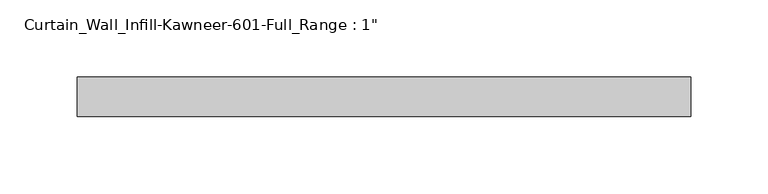
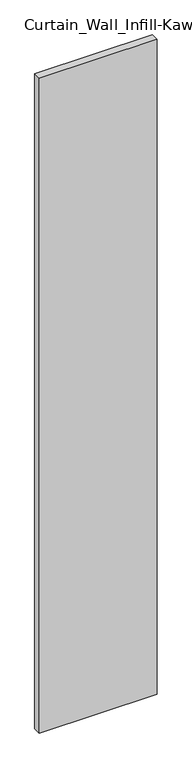
"""IFC4 building model written with IfcOpenShell, lengths in millimetres: plate geometry."""

from ifc_helpers import new_model, si_unit, origin, origin_with_axes, place, context, project, spatial, polyline, outline, extrude, source, transform, mapped, element, save


def plate_a471434e(model_context):
    return source(origin(), model_context, "Body", "SweptSolid", [
        extrude(outline(polyline([(-198.4375, 12.7), (198.4375, 12.7), (198.4375, -12.7), (-198.4375, -12.7), (-198.4375, 12.7)])), origin_with_axes(), (0.0, 0.0, 1.0), 2330.45),
    ])


if __name__ == "__main__":
    model = new_model("IFC4")
    model_context = context("Model", 3, world=origin())
    ifc_project = project(units=[si_unit("LENGTHUNIT", "METRE", prefix="MILLI")], contexts=[model_context])
    site = spatial("IfcSite", under=ifc_project)
    building = spatial("IfcBuilding", under=site)
    placement = place(None, origin())
    plate_shape = plate_a471434e(model_context)
    element("IfcPlate", 1, ObjectType="Curtain_Wall_Infill-Kawneer-601-Full_Range : 1\"", at=placement, inside=building, context=model_context, shape_type="MappedRepresentation", body=[
        mapped(plate_shape, transform((0.0, 0.0, 0.0), x_axis=(1.0, 0.0, 0.0), y_axis=(0.0, 1.0, 0.0), z_axis=(0.0, 0.0, 1.0))),
    ])
    save(model, "model.ifc")
